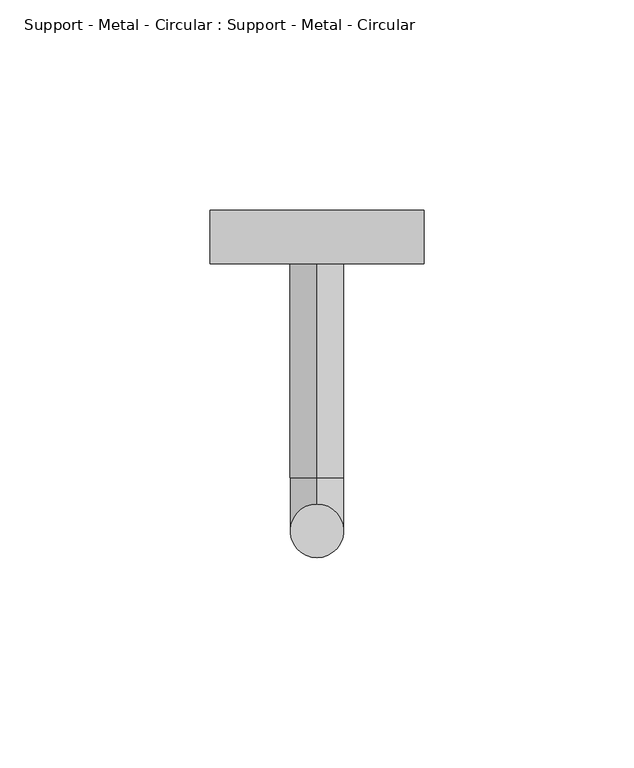
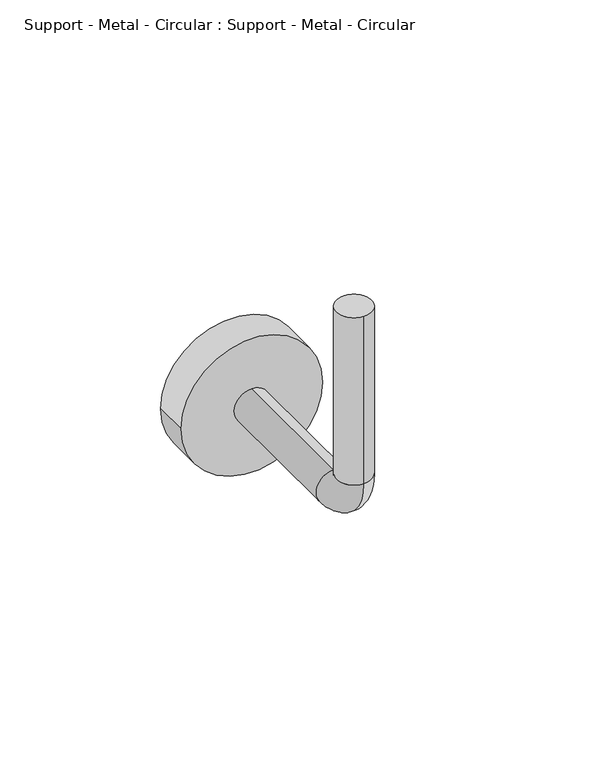
"""IFC4 building model written with IfcOpenShell, lengths in millimetres: proxy geometry, Support - Metal - Circular : Support - Metal - Circular."""

from ifc_helpers import new_model, si_unit, point, frame, frame_2d, origin, origin_with_axes, place, context, project, spatial, circle_curve, ellipse_curve, trimmed, segment, composite_curve, outline, extrude, source, transform, mapped, element, save
from ifc_brep_helpers import plane_surface, cylinder_surface, revolved_surface, advanced_brep


def support_metal_circular_support_metal_circular_6fb01533(model_context):
    return source(origin(), model_context, "Body", "SolidModel", [
        advanced_brep(
        [(0.0, 63.5, -69.85), (0.0, 63.5, -82.55), (0.0, 12.7, -69.85), (0.0, 12.7, -82.55), (0.0, -6.35, -63.5), (0.0, 6.35, -63.5), (0.0, 6.35, 0.0), (0.0, -6.35, 0.0)],
        [
            (0, 1, circle_curve(frame((0.0, 63.5, -76.2), z_axis=(0.0, 1.0, 0.0), x_axis=(0.0, 0.0, -1.0)), 6.35)),
            (1, 0, circle_curve(frame((0.0, 63.5, -76.2), z_axis=(0.0, 1.0, 0.0), x_axis=(0.0, 0.0, -1.0)), 6.35)),
            (0, 2),
            (2, 3, circle_curve(frame((0.0, 12.7, -76.2), z_axis=(0.0, 1.0, 0.0), x_axis=(0.0, 0.0, -1.0)), 6.35)),
            (3, 1),
            (3, 2, circle_curve(frame((0.0, 12.7, -76.2), z_axis=(0.0, 1.0, 0.0), x_axis=(0.0, 0.0, -1.0)), 6.35)),
            (4, 3, circle_curve(frame((0.0, 12.7, -63.5), z_axis=(1.0, 0.0, 0.0), x_axis=(0.0, 0.0, -1.0)), 19.05)),
            (2, 5, circle_curve(frame((0.0, 12.7, -63.5), z_axis=(-1.0, 0.0, 0.0), x_axis=(0.0, 0.0, -1.0)), 6.35)),
            (5, 4, circle_curve(frame((0.0, 0.0, -63.5), z_axis=(0.0, 0.0, -1.0), x_axis=(0.0, -1.0, 0.0)), 6.35)),
            (4, 5, circle_curve(frame((0.0, 0.0, -63.5), z_axis=(0.0, 0.0, -1.0), x_axis=(0.0, -1.0, 0.0)), 6.35)),
            (6, 7, circle_curve(frame((0.0, 0.0, 0.0), z_axis=(0.0, 0.0, 1.0), x_axis=(0.0, -1.0, 0.0)), 6.35)),
            (7, 6, circle_curve(frame((0.0, 0.0, 0.0), z_axis=(0.0, 0.0, 1.0), x_axis=(0.0, -1.0, 0.0)), 6.35)),
            (5, 6),
            (7, 4),
        ],
        [
            plane_surface(frame((0.0, 63.5, -76.2), z_axis=(0.0, 1.0, 0.0), x_axis=(1.0, 0.0, 0.0))),
            cylinder_surface(frame((0.0, 63.5, -76.2), z_axis=(0.0, 1.0, 0.0), x_axis=(0.0, 0.0, -1.0)), 6.35),
            revolved_surface(trimmed(ellipse_curve(frame((0.0, 12.7, -76.2), z_axis=(0.0, 1.0, 0.0), x_axis=(0.0, 0.0, -1.0)), 6.35, 6.35), [point((0.0, 12.7, -69.85))], [point((0.0, 12.7, -82.55))], True, "CARTESIAN"), (0.0, 12.7, -63.5), (-1.0, 0.0, 0.0)),
            revolved_surface(trimmed(ellipse_curve(frame((0.0, 12.7, -76.2), z_axis=(0.0, 1.0, 0.0), x_axis=(0.0, 0.0, -1.0)), 6.35, 6.35), [point((0.0, 12.7, -82.55))], [point((0.0, 12.7, -69.85))], True, "CARTESIAN"), (0.0, 12.7, -63.5), (-1.0, 0.0, 0.0)),
            plane_surface(origin_with_axes()),
            cylinder_surface(frame((0.0, 0.0, -63.5), z_axis=(0.0, 0.0, -1.0), x_axis=(0.0, -1.0, 0.0)), 6.35),
        ],
        [
            (0, [[1, 2]]),
            (1, [[-1, 3, 4, 5]]),
            (1, [[-2, -5, 6, -3]]),
            (2, [[7, -4, 8, 9]]),
            (3, [[-8, -6, -7, 10]]),
            (4, [[11, 12]]),
            (5, [[-9, 13, -12, 14]]),
            (5, [[-10, -14, -11, -13]]),
        ],
    ),
        extrude(outline(composite_curve([segment(trimmed(circle_curve(frame_2d((-76.2, 0.0)), 25.4), [point((-76.2, -25.4))], [point((-76.2, 25.4))], False, "CARTESIAN"), True, "CONTINUOUS"), segment(trimmed(circle_curve(frame_2d((-76.2, 0.0)), 25.4), [point((-76.2, 25.4))], [point((-76.2, -25.4))], False, "CARTESIAN"), True, "CONTINUOUS")], self_intersect=False)), frame((0.0, 63.5, 0.0), z_axis=(0.0, 1.0, 0.0), x_axis=(0.0, 0.0, 1.0)), (0.0, 0.0, 1.0), 12.7),
    ])


if __name__ == "__main__":
    model = new_model("IFC4")
    model_context = context("Model", 3, world=origin())
    ifc_project = project(units=[si_unit("LENGTHUNIT", "METRE", prefix="MILLI")], contexts=[model_context])
    site = spatial("IfcSite", under=ifc_project)
    building = spatial("IfcBuilding", under=site)
    placement = place(None, origin())
    support_metal_circular_support_metal_circular_shape = support_metal_circular_support_metal_circular_6fb01533(model_context)
    element("IfcBuildingElementProxy", 1, Name="Support - Metal - Circular : Support - Metal - Circular", ObjectType="Support - Metal - Circular : Support - Metal - Circular", at=placement, inside=building, context=model_context, shape_type="MappedRepresentation", body=[
        mapped(support_metal_circular_support_metal_circular_shape, transform((0.0, 0.0, 0.0), x_axis=(1.0, 0.0, 0.0), y_axis=(0.0, 1.0, 0.0), z_axis=(0.0, 0.0, 1.0))),
    ])
    save(model, "model.ifc")
